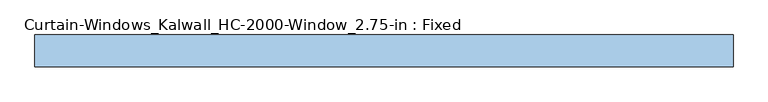
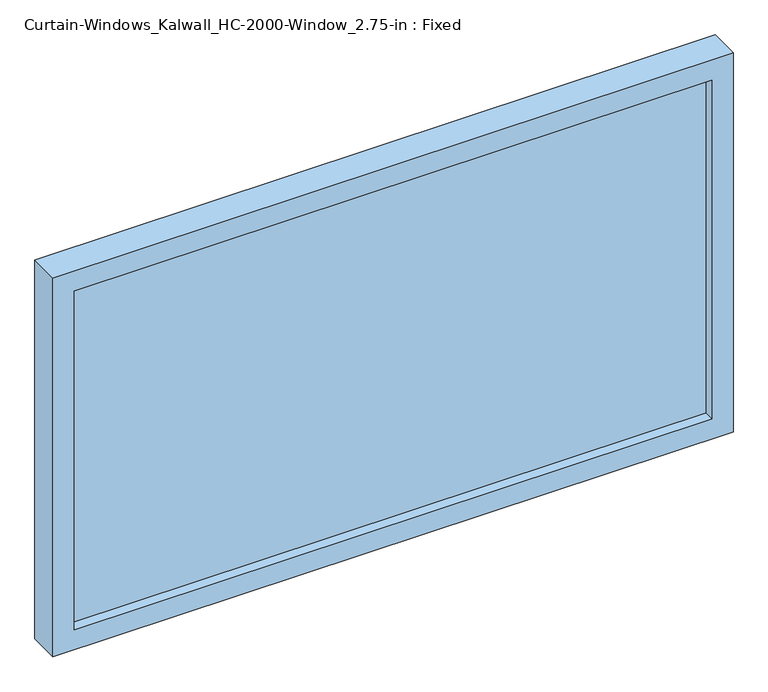
"""IFC4 building model written with IfcOpenShell, lengths in millimetres: window geometry, Curtain-Windows_Kalwall_HC-2000-Window_2.75-in : Fixed."""

import ifcopenshell
import ifcopenshell.guid

model = None  # the IFC model being written
_history = None  # IfcOwnerHistory: only IFC2X3 demands one
_inside = {}  # id of a spatial element -> (the spatial element, [elements in it])
_under = {}  # id of a project, library or spatial element -> (it, [spatial elements below it])
_declared = {}  # id of a project -> (the project, [libraries it declares])
_typed = {}  # id of a type object -> (the type object, [elements of that type])
_made_of = {}  # id of a material, layer set ... -> (it, [elements and type objects made of it])


def new_model(schema):
    """Start an empty IFC model of exactly this schema.

    Asked for "IFC4X3", IfcOpenShell would pick the latest addendum, in which some entities
    have other attributes; the version numbers below select the first issue.
    IFC2X3 requires an IfcOwnerHistory on every rooted entity: one is made here for all.
    """
    global model, _history
    if schema == "IFC4X3":
        model = ifcopenshell.file(schema_version=(4, 3, 0, 0))
    else:
        model = ifcopenshell.file(schema=schema)
    _inside.clear()
    _under.clear()
    _declared.clear()
    _typed.clear()
    _made_of.clear()
    _history = None
    if model.schema == "IFC2X3":
        org = make("IfcOrganization", Name="unknown")
        user = make(
            "IfcPersonAndOrganization",
            ThePerson=make("IfcPerson", FamilyName="unknown"),
            TheOrganization=org,
        )
        app = make(
            "IfcApplication",
            ApplicationDeveloper=org,
            Version="unknown",
            ApplicationFullName="unknown",
            ApplicationIdentifier="unknown",
        )
        _history = make(
            "IfcOwnerHistory",
            OwningUser=user,
            OwningApplication=app,
            ChangeAction="ADDED",
            CreationDate=0,
        )
    return model


def make(cls, **values):
    """One entity of the class cls with the attributes given. An attribute that is None is left unset."""
    return model.create_entity(
        cls, **{name: value for name, value in values.items() if value is not None}
    )


def rooted(cls, **values):
    """An entity with a GlobalId (a new one), such as an element, a storey or a relation."""
    return make(cls, GlobalId=ifcopenshell.guid.new(), OwnerHistory=_history, **values)


def si_unit(unit_type, name, prefix=None):
    """IfcSIUnit, for example si_unit("LENGTHUNIT", "METRE", prefix="MILLI")."""
    return make("IfcSIUnit", UnitType=unit_type, Prefix=prefix, Name=name)


def assignment(units):
    """IfcUnitAssignment: the units of a project."""
    return None if units is None else make("IfcUnitAssignment", Units=units)


def point(xyz):
    """IfcCartesianPoint."""
    return None if xyz is None else make("IfcCartesianPoint", Coordinates=xyz)


def direction(xyz):
    """IfcDirection."""
    return None if xyz is None else make("IfcDirection", DirectionRatios=xyz)


def frame(location, z_axis=None, x_axis=None):
    """IfcAxis2Placement3D, a coordinate frame: its origin and axes. An axis left out is left unset."""
    return make(
        "IfcAxis2Placement3D",
        Location=point(location),
        Axis=direction(z_axis),
        RefDirection=direction(x_axis),
    )


def origin():
    """The frame at (0, 0, 0) with its axes left unset."""
    return frame((0.0, 0.0, 0.0))


def place(relative_to, where):
    """IfcLocalPlacement: puts the frame where relative to a parent placement (None: the world)."""
    return make(
        "IfcLocalPlacement", PlacementRelTo=relative_to, RelativePlacement=where
    )


def context(
    kind, dimensions, precision=None, world=None, true_north=None, identifier=None
):
    """IfcGeometricRepresentationContext, for example the 3D "Model" context."""
    return make(
        "IfcGeometricRepresentationContext",
        ContextIdentifier=identifier,
        ContextType=kind,
        CoordinateSpaceDimension=dimensions,
        Precision=precision,
        WorldCoordinateSystem=world,
        TrueNorth=true_north,
    )


def project(units=None, contexts=None):
    """IfcProject with its units and contexts."""
    return rooted(
        "IfcProject",
        Name="project",
        RepresentationContexts=contexts,
        UnitsInContext=assignment(units),
    )


def spatial(cls, under=None, at=None, **own):
    """A site, building, storey or space (cls), placed at a placement, below another one or the project."""
    s = rooted(cls, ObjectPlacement=at, **own)
    if under is not None:
        _under.setdefault(under.id(), (under, []))[1].append(s)
    return s


def polyline(points):
    """IfcPolyline through the points."""
    return make("IfcPolyline", Points=[point(p) for p in points])


def outline(outer, holes=None, kind="AREA"):
    """IfcArbitraryClosedProfileDef: a profile drawn as a closed curve; with holes, ...WithVoids."""
    if holes is None:
        return make("IfcArbitraryClosedProfileDef", ProfileType=kind, OuterCurve=outer)
    return make(
        "IfcArbitraryProfileDefWithVoids",
        ProfileType=kind,
        OuterCurve=outer,
        InnerCurves=holes,
    )


def extrude(swept, where, along, depth):
    """IfcExtrudedAreaSolid: the profile swept, set in the frame where, extruded along a direction by depth."""
    return make(
        "IfcExtrudedAreaSolid",
        SweptArea=swept,
        Position=where,
        ExtrudedDirection=direction(along),
        Depth=depth,
    )


def shape(context_of_items, identifier, shape_type, items):
    """IfcShapeRepresentation: the items that make up one representation, for example the "Body"."""
    return make(
        "IfcShapeRepresentation",
        ContextOfItems=context_of_items,
        RepresentationIdentifier=identifier,
        RepresentationType=shape_type,
        Items=items,
    )


def source(mapping_origin, context_of_items, identifier, shape_type, items):
    """IfcRepresentationMap: a shape defined once, which mapped items show again and again."""
    return make(
        "IfcRepresentationMap",
        MappingOrigin=mapping_origin,
        MappedRepresentation=shape(context_of_items, identifier, shape_type, items),
    )


def transform(
    local_origin,
    x_axis=None,
    y_axis=None,
    z_axis=None,
    scale=None,
    scale2=None,
    scale3=None,
    uniform=True,
):
    """IfcCartesianTransformationOperator3D, or its non-uniform kind. x_axis, y_axis, z_axis: its Axis1, 2, 3."""
    if uniform:
        return make(
            "IfcCartesianTransformationOperator3D",
            Axis1=direction(x_axis),
            Axis2=direction(y_axis),
            LocalOrigin=point(local_origin),
            Scale=scale,
            Axis3=direction(z_axis),
        )
    return make(
        "IfcCartesianTransformationOperator3DnonUniform",
        Axis1=direction(x_axis),
        Axis2=direction(y_axis),
        LocalOrigin=point(local_origin),
        Scale=scale,
        Axis3=direction(z_axis),
        Scale2=scale2,
        Scale3=scale3,
    )


def mapped(mapping_source, mapping_target):
    """IfcMappedItem: shows the shape of a source again, moved by a transform."""
    return make(
        "IfcMappedItem", MappingSource=mapping_source, MappingTarget=mapping_target
    )


def made_of(thing, what):
    """Note that an element or type object is made of a material, layer set ...; save() writes the relation."""
    if what is not None:
        _made_of.setdefault(what.id(), (what, []))[1].append(thing)
    return thing


def element(
    cls,
    number,
    at=None,
    inside=None,
    cuts=None,
    type_object=None,
    material=None,
    context=None,
    identifier="Body",
    shape_type=None,
    held_by="IfcProductDefinitionShape",
    body=None,
    shapes=None,
    **own,
):
    """One element of the class cls, such as IfcWall. Its Tag is "e" and its number.

    at: its placement. inside: the storey or other place that contains it. cuts: it is an
    opening in that element (IfcRelVoidsElement). A single representation is given by context,
    identifier, shape_type and body (its items); several are given by shapes. held_by: the class
    of the entity that holds the representations. save() writes the other relations.
    """
    e = rooted(cls, Tag="e%d" % number, ObjectPlacement=at, **own)
    if body is not None:
        shapes = [shape(context, identifier, shape_type, body)]
    if shapes is not None:
        e.Representation = make(held_by, Representations=shapes)
    if inside is not None:
        _inside.setdefault(inside.id(), (inside, []))[1].append(e)
    if cuts is not None:
        rooted(
            "IfcRelVoidsElement", RelatingBuildingElement=cuts, RelatedOpeningElement=e
        )
    if type_object is not None:
        _typed.setdefault(type_object.id(), (type_object, []))[1].append(e)
    return made_of(e, material)


def aggregate(whole, parts):
    """IfcRelAggregates: a whole, such as a stair, and the parts it consists of."""
    return rooted("IfcRelAggregates", RelatingObject=whole, RelatedObjects=parts)


def save(model, path):
    """Write the relations noted so far, then the file.

    IfcRelAggregates (storeys below a building ...), IfcRelContainedInSpatialStructure (elements
    in a storey), IfcRelDefinesByType, IfcRelAssociatesMaterial and IfcRelDeclares: one each for
    every whole, place, type object, material and project.
    """
    for whole, parts in _under.values():
        aggregate(whole, parts)
    for where, things in _inside.values():
        rooted(
            "IfcRelContainedInSpatialStructure",
            RelatedElements=things,
            RelatingStructure=where,
        )
    for kind, things in _typed.values():
        rooted("IfcRelDefinesByType", RelatedObjects=things, RelatingType=kind)
    for what, things in _made_of.values():
        rooted("IfcRelAssociatesMaterial", RelatedObjects=things, RelatingMaterial=what)
    for by, libraries in _declared.values():
        rooted("IfcRelDeclares", RelatingContext=by, RelatedDefinitions=libraries)
    model.write(path)


def curtain_windows_kalwall_hc_2000_window_2_75_in_fixed_0c302fea(model_context):
    return source(origin(), model_context, "Body", "SweptSolid", [
        extrude(outline(polyline([(898.525, -761.9780002), (0.0, -761.9780002), (0.0, 761.9780002), (898.525, 761.9780002), (898.525, -761.9780002)]), holes=[polyline([(850.773, 714.2260002), (47.752, 714.2260002), (47.752, -714.2260002), (850.773, -714.2260002), (850.773, 714.2260002)])]), frame((0.0, -34.925, 0.0), z_axis=(0.0, 1.0, 0.0), x_axis=(0.0, 0.0, 1.0)), (0.0, 0.0, 1.0), 69.85),
        extrude(outline(polyline([(714.2260002, 12.7), (714.2260002, -12.7), (-714.2260002, -12.7), (-714.2260002, 12.7), (714.2260002, 12.7)])), frame((0.0, 0.0, 47.752), z_axis=(0.0, 0.0, 1.0), x_axis=(1.0, 0.0, 0.0)), (0.0, 0.0, 1.0), 803.021),
    ])


if __name__ == "__main__":
    model = new_model("IFC4")
    model_context = context("Model", 3, world=origin())
    ifc_project = project(units=[si_unit("LENGTHUNIT", "METRE", prefix="MILLI")], contexts=[model_context])
    site = spatial("IfcSite", under=ifc_project)
    building = spatial("IfcBuilding", under=site)
    placement = place(None, origin())
    curtain_windows_kalwall_hc_2000_window_2_75_in_fixed_shape = curtain_windows_kalwall_hc_2000_window_2_75_in_fixed_0c302fea(model_context)
    element("IfcWindow", 1, ObjectType="Curtain-Windows_Kalwall_HC-2000-Window_2.75-in : Fixed", at=placement, inside=building, context=model_context, shape_type="MappedRepresentation", body=[
        mapped(curtain_windows_kalwall_hc_2000_window_2_75_in_fixed_shape, transform((0.0, 0.0, 0.0), x_axis=(1.0, 0.0, 0.0), y_axis=(0.0, 1.0, 0.0), z_axis=(0.0, 0.0, 1.0))),
    ])
    save(model, "model.ifc")
